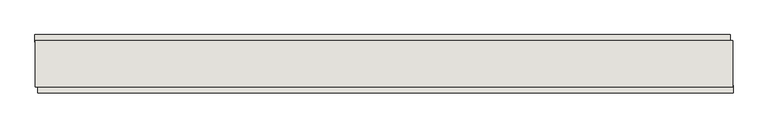
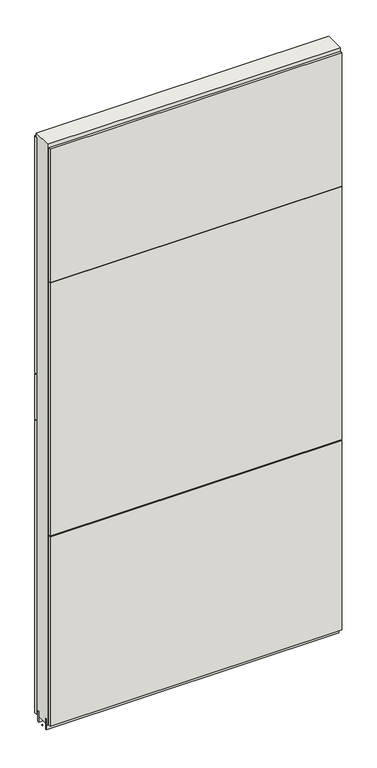
"""IFC4 building model written with IfcOpenShell, lengths in millimetres: wall geometry."""

from ifc_helpers import new_model, si_unit, frame, origin, place, context, project, spatial, polyline, outline, extrude, source, transform, mapped, element, save


def wall_310e107c(model_context):
    return source(origin(), model_context, "Body", "SweptSolid", [
        extrude(outline(polyline([(79258.255504, -42604.4245954), (79255.715504, -42604.4245954), (79255.715504, -42601.8845954), (79258.255504, -42601.8845954), (79258.255504, -42604.4245954)])), frame((0.0, 0.0, 4419.6), z_axis=(0.0, 0.0, 1.0), x_axis=(1.0, 0.0, 0.0)), (0.0, 0.0, 1.0), 2.54),
        extrude(outline(polyline([(79255.2461882, -42552.3545954), (80470.4461962, -42552.3545954), (80470.4461962, -42565.0545954), (79255.2461882, -42565.0545954), (79255.2461882, -42552.3545954)])), frame((0.0, 0.0, 5945.6000722), z_axis=(0.0, 0.0, 1.0), x_axis=(1.0, 0.0, 0.0)), (0.0, 0.0, 1.0), 1044.449905),
        extrude(outline(polyline([(79255.2461882, -42552.3545954), (80470.4461962, -42552.3545954), (80470.4461962, -42565.0545954), (79255.2461882, -42565.0545954), (79255.2461882, -42552.3545954)])), frame((0.0, 0.0, 5742.3999706), z_axis=(0.0, 0.0, 1.0), x_axis=(1.0, 0.0, 0.0)), (0.0, 0.0, 1.0), 199.2000512),
        extrude(outline(polyline([(79255.2461882, -42552.3545954), (80470.4461962, -42552.3545954), (80470.4461962, -42565.0545954), (79255.2461882, -42565.0545954), (79255.2461882, -42552.3545954)])), frame((0.0, 0.0, 4445.0), z_axis=(0.0, 0.0, 1.0), x_axis=(1.0, 0.0, 0.0)), (0.0, 0.0, 1.0), 1293.400004),
        extrude(outline(polyline([(80475.3823306, -42653.9545954), (79260.1823226, -42653.9545954), (79260.1823226, -42641.2545954), (80475.3823306, -42641.2545954), (80475.3823306, -42653.9545954)])), frame((0.0, 0.0, 6402.8000722), z_axis=(0.0, 0.0, 1.0), x_axis=(1.0, 0.0, 0.0)), (0.0, 0.0, 1.0), 587.2498034),
        extrude(outline(polyline([(80475.3823306, -42653.9545954), (79260.1823226, -42653.9545954), (79260.1823226, -42641.2545954), (80475.3823306, -42641.2545954), (80475.3823306, -42653.9545954)])), frame((0.0, 0.0, 5285.2000722), z_axis=(0.0, 0.0, 1.0), x_axis=(1.0, 0.0, 0.0)), (0.0, 0.0, 1.0), 1113.5999572),
        extrude(outline(polyline([(80475.3823306, -42653.9545954), (79260.1823226, -42653.9545954), (79260.1823226, -42641.2545954), (80475.3823306, -42641.2545954), (80475.3823306, -42653.9545954)])), frame((0.0, 0.0, 4445.0), z_axis=(0.0, 0.0, 1.0), x_axis=(1.0, 0.0, 0.0)), (0.0, 0.0, 1.0), 836.200004),
        extrude(outline(polyline([(80474.920457, -42578.0708508), (79255.720457, -42578.0708508), (79255.720457, -42572.9920954), (80474.920457, -42572.9920954), (80474.920457, -42578.0708508)])), frame((0.0, 0.0, 4418.6602), z_axis=(0.0, 0.0, 1.0), x_axis=(1.0, 0.0, 0.0)), (0.0, 0.0, 1.0), 47.625),
        extrude(outline(polyline([(80474.920457, -42578.0708508), (79255.720457, -42578.0708508), (79255.720457, -42572.9920954), (80474.920457, -42572.9920954), (80474.920457, -42578.0708508)])), frame((0.0, 0.0, 4418.6602), z_axis=(0.0, 0.0, 1.0), x_axis=(1.0, 0.0, 0.0)), (0.0, 0.0, 1.0), 47.625),
        extrude(outline(polyline([(79255.720457, -42628.2352412), (80474.920457, -42628.2352412), (80474.920457, -42633.3170954), (79255.720457, -42633.3170954), (79255.720457, -42628.2352412)])), frame((0.0, 0.0, 4418.6602), z_axis=(0.0, 0.0, 1.0), x_axis=(1.0, 0.0, 0.0)), (0.0, 0.0, 1.0), 47.625),
        extrude(outline(polyline([(79255.720457, -42628.2352412), (80474.920457, -42628.2352412), (80474.920457, -42633.3170954), (79255.720457, -42633.3170954), (79255.720457, -42628.2352412)])), frame((0.0, 0.0, 4418.6602), z_axis=(0.0, 0.0, 1.0), x_axis=(1.0, 0.0, 0.0)), (0.0, 0.0, 1.0), 47.625),
        extrude(outline(polyline([(80474.920457, -42562.5245014), (80474.920457, -42643.806381), (79255.720457, -42643.806381), (79255.720457, -42562.5245014), (80474.920457, -42562.5245014)])), frame((0.0, 0.0, 4445.0), z_axis=(0.0, 0.0, 1.0), x_axis=(1.0, 0.0, 0.0)), (0.0, 0.0, 1.0), 2562.4536762),
    ])


if __name__ == "__main__":
    model = new_model("IFC4")
    model_context = context("Model", 3, world=origin())
    ifc_project = project(units=[si_unit("LENGTHUNIT", "METRE", prefix="MILLI")], contexts=[model_context])
    site = spatial("IfcSite", under=ifc_project)
    building = spatial("IfcBuilding", under=site)
    placement = place(None, origin())
    wall_shape = wall_310e107c(model_context)
    element("IfcWall", 1, at=placement, inside=building, context=model_context, shape_type="MappedRepresentation", body=[
        mapped(wall_shape, transform((0.0, 0.0, 0.0), x_axis=(1.0, 0.0, 0.0), y_axis=(0.0, 1.0, 0.0), z_axis=(0.0, 0.0, 1.0))),
    ])
    save(model, "model.ifc")
